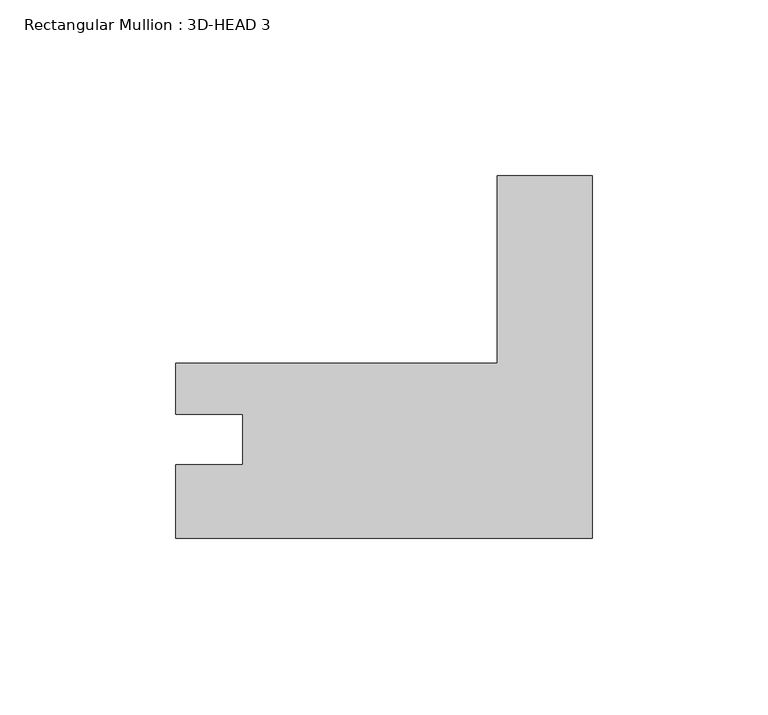
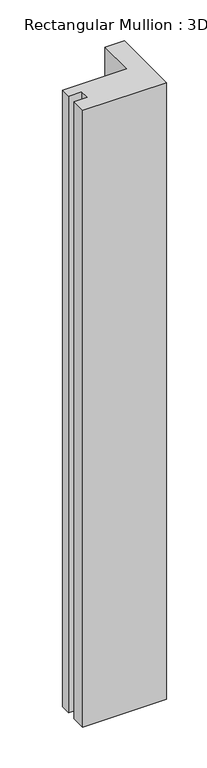
"""IFC4 building model written with IfcOpenShell, lengths in millimetres: member geometry, Rectangular Mullion : 3D-HEAD 3."""

from ifc_helpers import new_model, si_unit, frame, origin, place, context, project, spatial, polyline, outline, extrude, source, transform, mapped, element, save


def rectangular_mullion_3d_head_3_cba1e146(model_context):
    return source(origin(), model_context, "Body", "SweptSolid", [
        extrude(outline(polyline([(-118.2687503, -60.7815148), (-118.2687503, -39.9027082), (-99.2441515, -39.9027082), (-99.2441515, -25.5898148), (-118.2687515, -25.5898148), (-118.2687515, -10.9975148), (-26.9748, -10.9975148), (-26.9748, 42.1980229), (0.0, 42.1980229), (0.0, -60.7815148), (-118.2687503, -60.7815148)])), frame((0.0, 0.0, -921.8239883), z_axis=(0.0, 0.0, 1.0), x_axis=(1.0, 0.0, 0.0)), (0.0, 0.0, 1.0), 921.8239883),
    ])


if __name__ == "__main__":
    model = new_model("IFC4")
    model_context = context("Model", 3, world=origin())
    ifc_project = project(units=[si_unit("LENGTHUNIT", "METRE", prefix="MILLI")], contexts=[model_context])
    site = spatial("IfcSite", under=ifc_project)
    building = spatial("IfcBuilding", under=site)
    placement = place(None, origin())
    rectangular_mullion_3d_head_3_shape = rectangular_mullion_3d_head_3_cba1e146(model_context)
    element("IfcMember", 1, ObjectType="Rectangular Mullion : 3D-HEAD 3", at=placement, inside=building, context=model_context, shape_type="MappedRepresentation", body=[
        mapped(rectangular_mullion_3d_head_3_shape, transform((0.0, 0.0, 0.0), x_axis=(1.0, 0.0, 0.0), y_axis=(0.0, 1.0, 0.0), z_axis=(0.0, 0.0, 1.0))),
    ])
    save(model, "model.ifc")
